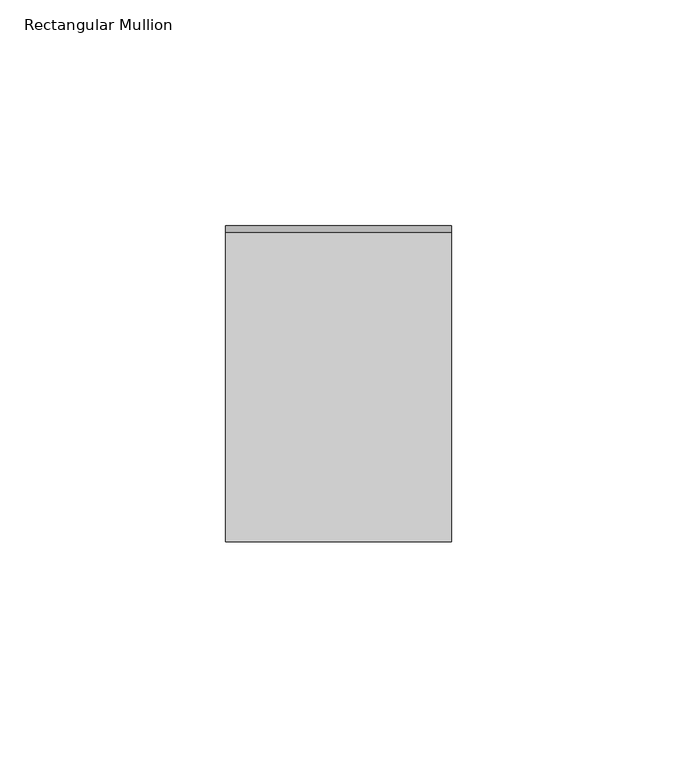
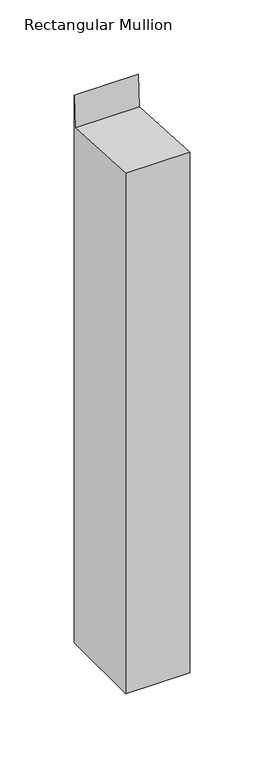
"""IFC4 building model written with IfcOpenShell, lengths in millimetres: member geometry, Rectangular Mullion."""

from ifc_helpers import new_model, si_unit, frame, origin, place, context, project, spatial, polyline, outline, extrude, source, transform, mapped, element, save


def rectangular_mullion_ccd3f0d2(model_context):
    return source(origin(), model_context, "Body", "SweptSolid", [
        extrude(outline(polyline([(-35.0, 1.917762), (33.5498891, -1.9147718), (35.0, 24.0223615), (35.0, -427.3935449), (-35.0, -427.3935449), (-35.0, 1.917762)])), frame((-50.0, 0.0, 0.0), z_axis=(1.0, 0.0, 0.0), x_axis=(0.0, 1.0, 0.0)), (0.0, 0.0, 1.0), 50.0),
    ])


if __name__ == "__main__":
    model = new_model("IFC4")
    model_context = context("Model", 3, world=origin())
    ifc_project = project(units=[si_unit("LENGTHUNIT", "METRE", prefix="MILLI")], contexts=[model_context])
    site = spatial("IfcSite", under=ifc_project)
    building = spatial("IfcBuilding", under=site)
    placement = place(None, origin())
    rectangular_mullion_shape = rectangular_mullion_ccd3f0d2(model_context)
    element("IfcMember", 1, ObjectType="Rectangular Mullion", at=placement, inside=building, context=model_context, shape_type="MappedRepresentation", body=[
        mapped(rectangular_mullion_shape, transform((0.0, 0.0, 0.0), x_axis=(1.0, 0.0, 0.0), y_axis=(0.0, 1.0, 0.0), z_axis=(0.0, 0.0, 1.0))),
    ])
    save(model, "model.ifc")
